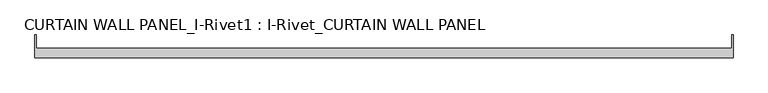
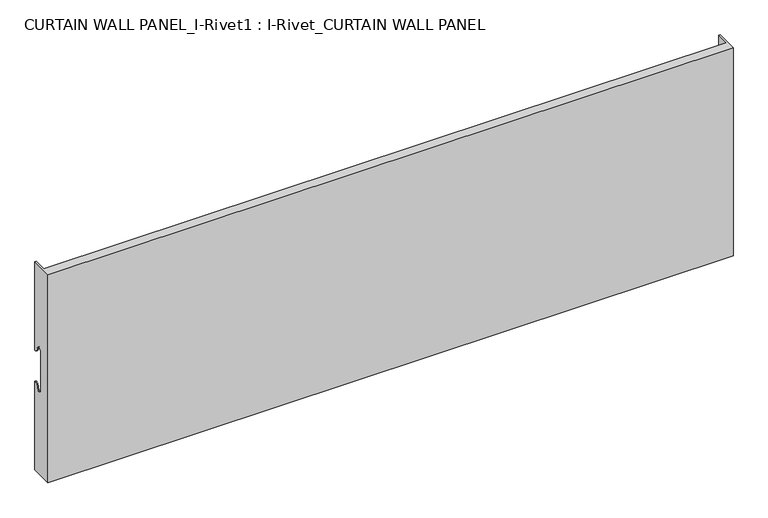
"""IFC4 building model written with IfcOpenShell, lengths in millimetres: plate geometry, CURTAIN WALL PANEL_I-Rivet1 : I-Rivet_CURTAIN WALL PANEL."""

from ifc_helpers import new_model, si_unit, frame, origin, place, context, project, spatial, polyline, circle_curve, source, transform, mapped, element, save
from ifc_brep_helpers import plane_surface, cylinder_surface, revolved_surface, advanced_brep


def curtain_wall_panel_i_rivet1_i_rivet_curtain_wall_panel_ca31cd9d(model_context):
    return source(origin(), model_context, "Body", "AdvancedBrep", [
        advanced_brep(
        [(-600.0, -85.0, 385.0), (600.0, -85.0, 385.0), (600.0, -45.3384103, 385.0), (598.0, -45.3384103, 385.0), (598.0, -68.0, 385.0), (-598.0, -68.0, 385.0), (-598.0, -45.3384103, 385.0), (-600.0, -45.3384103, 385.0), (-600.0, -85.0, 0.0), (-600.0, -45.3384103, 0.0), (-598.0, -45.3384103, 0.0), (-598.0, -68.0, 0.0), (598.0, -68.0, 0.0), (598.0, -45.3384103, 0.0), (600.0, -45.3384103, 0.0), (600.0, -85.0, 0.0), (-600.0, -45.3384103, 221.0), (-600.0, -52.3384103, 228.0), (-600.0, -63.3384103, 228.0), (-600.0, -63.3384103, 157.0), (-600.0, -52.3384103, 157.0), (-600.0, -45.3384103, 164.0), (-598.0, -45.3384103, 164.0), (-598.0, -45.3384103, 221.0), (600.0, -45.3384103, 221.0), (598.0, -45.3384103, 221.0), (598.0, -45.3384103, 164.0), (600.0, -45.3384103, 164.0), (600.0, -52.3384103, 157.0), (600.0, -63.3384103, 157.0), (600.0, -63.3384103, 228.0), (600.0, -52.3384103, 228.0), (-598.0, -52.3384103, 157.0), (-598.0, -63.3384103, 157.0), (-598.0, -63.3384103, 228.0), (-598.0, -52.3384103, 228.0), (598.0, -52.3384103, 228.0), (598.0, -63.3384103, 228.0), (598.0, -63.3384103, 157.0), (598.0, -52.3384103, 157.0)],
        [
            (0, 1),
            (1, 2),
            (2, 3),
            (3, 4),
            (4, 5),
            (5, 6),
            (6, 7),
            (7, 0),
            (8, 9),
            (9, 10),
            (10, 11),
            (11, 12),
            (12, 13),
            (13, 14),
            (14, 15),
            (15, 8),
            (7, 16),
            (16, 17, circle_curve(frame((-600.0, -45.3384103, 228.0), z_axis=(-1.0, 0.0, 0.0), x_axis=(0.0, -1.0, 0.0)), 7.0)),
            (17, 18, circle_curve(frame((-600.0, -57.8384103, 228.0), z_axis=(1.0, 0.0, 0.0), x_axis=(0.0, -1.0, 0.0)), 5.5)),
            (18, 19),
            (19, 20, circle_curve(frame((-600.0, -57.8384103, 157.0), z_axis=(1.0, 0.0, 0.0), x_axis=(0.0, -1.0, 0.0)), 5.5)),
            (20, 21, circle_curve(frame((-600.0, -45.3384103, 157.0), z_axis=(-1.0, 0.0, 0.0), x_axis=(0.0, -1.0, 0.0)), 7.0)),
            (21, 9),
            (8, 0),
            (21, 22),
            (22, 10),
            (6, 23),
            (23, 16),
            (2, 24),
            (24, 25),
            (25, 3),
            (13, 26),
            (26, 27),
            (27, 14),
            (1, 15),
            (27, 28, circle_curve(frame((600.0, -45.3384103, 157.0), z_axis=(1.0, 0.0, 0.0), x_axis=(0.0, -1.0, 0.0)), 7.0)),
            (28, 29, circle_curve(frame((600.0, -57.8384103, 157.0), z_axis=(-1.0, 0.0, 0.0), x_axis=(0.0, -1.0, 0.0)), 5.5)),
            (29, 30),
            (30, 31, circle_curve(frame((600.0, -57.8384103, 228.0), z_axis=(-1.0, 0.0, 0.0), x_axis=(0.0, -1.0, 0.0)), 5.5)),
            (31, 24, circle_curve(frame((600.0, -45.3384103, 228.0), z_axis=(1.0, 0.0, 0.0), x_axis=(0.0, -1.0, 0.0)), 7.0)),
            (5, 11),
            (22, 32, circle_curve(frame((-598.0, -45.3384103, 157.0), z_axis=(1.0, 0.0, 0.0), x_axis=(0.0, -1.0, 0.0)), 7.0)),
            (32, 33, circle_curve(frame((-598.0, -57.8384103, 157.0), z_axis=(-1.0, 0.0, 0.0), x_axis=(0.0, -1.0, 0.0)), 5.5)),
            (33, 34),
            (34, 35, circle_curve(frame((-598.0, -57.8384103, 228.0), z_axis=(-1.0, 0.0, 0.0), x_axis=(0.0, -1.0, 0.0)), 5.5)),
            (35, 23, circle_curve(frame((-598.0, -45.3384103, 228.0), z_axis=(1.0, 0.0, 0.0), x_axis=(0.0, -1.0, 0.0)), 7.0)),
            (25, 36, circle_curve(frame((598.0, -45.3384103, 228.0), z_axis=(-1.0, 0.0, 0.0), x_axis=(0.0, -1.0, 0.0)), 7.0)),
            (36, 37, circle_curve(frame((598.0, -57.8384103, 228.0), z_axis=(1.0, 0.0, 0.0), x_axis=(0.0, -1.0, 0.0)), 5.5)),
            (37, 38),
            (38, 39, circle_curve(frame((598.0, -57.8384103, 157.0), z_axis=(1.0, 0.0, 0.0), x_axis=(0.0, -1.0, 0.0)), 5.5)),
            (39, 26, circle_curve(frame((598.0, -45.3384103, 157.0), z_axis=(-1.0, 0.0, 0.0), x_axis=(0.0, -1.0, 0.0)), 7.0)),
            (12, 4),
            (29, 38),
            (37, 30),
            (33, 19),
            (18, 34),
            (35, 17),
            (31, 36),
            (39, 28),
            (20, 32),
        ],
        [
            plane_surface(frame((-600.0, -45.3384103, 385.0), z_axis=(0.0, 0.0, 1.0), x_axis=(0.0, 1.0, 0.0))),
            plane_surface(frame((-600.0, -45.3384103, 0.0), z_axis=(0.0, 0.0, -1.0), x_axis=(0.0, -1.0, 0.0))),
            plane_surface(frame((-600.0, -85.0, 385.0), z_axis=(-1.0, 0.0, 0.0), x_axis=(0.0, 0.0, -1.0))),
            plane_surface(frame((-600.0, -45.3384103, 385.0), z_axis=(0.0, 1.0, 0.0), x_axis=(0.0, 0.0, -1.0))),
            plane_surface(frame((598.0, -45.3384103, 385.0), z_axis=(0.0, 1.0, 0.0), x_axis=(0.0, 0.0, -1.0))),
            plane_surface(frame((600.0, -45.3384103, 385.0), z_axis=(1.0, 0.0, 0.0), x_axis=(0.0, 0.0, -1.0))),
            plane_surface(frame((600.0, -85.0, 385.0), z_axis=(0.0, -1.0, 0.0), x_axis=(0.0, 0.0, -1.0))),
            plane_surface(frame((-598.0, -45.3384103, 385.0), z_axis=(1.0, 0.0, 0.0), x_axis=(0.0, 0.0, -1.0))),
            plane_surface(frame((598.0, -68.0, 385.0), z_axis=(-1.0, 0.0, 0.0), x_axis=(0.0, 0.0, -1.0))),
            plane_surface(frame((-599.0, -68.0, 385.0), z_axis=(0.0, 1.0, 0.0), x_axis=(0.0, 0.0, -1.0))),
            plane_surface(frame((-600.0, -63.3384103, 228.0), z_axis=(0.0, 1.0, 0.0), x_axis=(1.0, 0.0, 0.0))),
            cylinder_surface(frame((-600.0, -45.3384103, 228.0), z_axis=(1.0, 0.0, 0.0), x_axis=(0.0, -1.0, 0.0)), 7.0),
            revolved_surface(polyline([(-600.0, -63.3384103, 228.0), (-598.0, -63.3384103, 228.0)]), (-600.0, -57.8384103, 228.0), (-1.0, 0.0, 0.0)),
            revolved_surface(polyline([(598.0, -63.3384103, 228.0), (600.0, -63.3384103, 228.0)]), (-600.0, -57.8384103, 228.0), (-1.0, 0.0, 0.0)),
            cylinder_surface(frame((600.0, -45.3384103, 157.0), z_axis=(-1.0, 0.0, 0.0), x_axis=(0.0, -1.0, 0.0)), 7.0),
            revolved_surface(polyline([(600.0, -63.3384103, 157.0), (598.0, -63.3384103, 157.0)]), (600.0, -57.8384103, 157.0), (1.0, 0.0, 0.0)),
            revolved_surface(polyline([(-598.0, -63.3384103, 157.0), (-600.0, -63.3384103, 157.0)]), (600.0, -57.8384103, 157.0), (1.0, 0.0, 0.0)),
        ],
        [
            (0, [[1, 2, 3, 4, 5, 6, 7, 8]]),
            (1, [[9, 10, 11, 12, 13, 14, 15, 16]]),
            (2, [[17, 18, 19, 20, 21, 22, 23, -9, 24, -8]]),
            (3, [[-23, 25, 26, -10]]),
            (3, [[27, 28, -17, -7]]),
            (4, [[29, 30, 31, -3]]),
            (4, [[32, 33, 34, -14]]),
            (5, [[35, -15, -34, 36, 37, 38, 39, 40, -29, -2]]),
            (6, [[-24, -16, -35, -1]]),
            (7, [[41, -11, -26, 42, 43, 44, 45, 46, -27, -6]]),
            (8, [[-31, 47, 48, 49, 50, 51, -32, -13, 52, -4]]),
            (9, [[-52, -12, -41, -5]]),
            (10, [[-38, 53, -49, 54]]),
            (10, [[-44, 55, -20, 56]]),
            (11, [[-18, -28, -46, 57]]),
            (11, [[-47, -30, -40, 58]]),
            (12, [[-19, -57, -45, -56]]),
            (13, [[-48, -58, -39, -54]]),
            (14, [[-36, -33, -51, 59]]),
            (14, [[-42, -25, -22, 60]]),
            (15, [[-37, -59, -50, -53]]),
            (16, [[-43, -60, -21, -55]]),
        ],
    ),
    ])


if __name__ == "__main__":
    model = new_model("IFC4")
    model_context = context("Model", 3, world=origin())
    ifc_project = project(units=[si_unit("LENGTHUNIT", "METRE", prefix="MILLI")], contexts=[model_context])
    site = spatial("IfcSite", under=ifc_project)
    building = spatial("IfcBuilding", under=site)
    placement = place(None, origin())
    curtain_wall_panel_i_rivet1_i_rivet_curtain_wall_panel_shape = curtain_wall_panel_i_rivet1_i_rivet_curtain_wall_panel_ca31cd9d(model_context)
    element("IfcPlate", 1, ObjectType="CURTAIN WALL PANEL_I-Rivet1 : I-Rivet_CURTAIN WALL PANEL", at=placement, inside=building, context=model_context, shape_type="MappedRepresentation", body=[
        mapped(curtain_wall_panel_i_rivet1_i_rivet_curtain_wall_panel_shape, transform((0.0, 0.0, 0.0), x_axis=(1.0, 0.0, 0.0), y_axis=(0.0, 1.0, 0.0), z_axis=(0.0, 0.0, 1.0))),
    ])
    save(model, "model.ifc")
